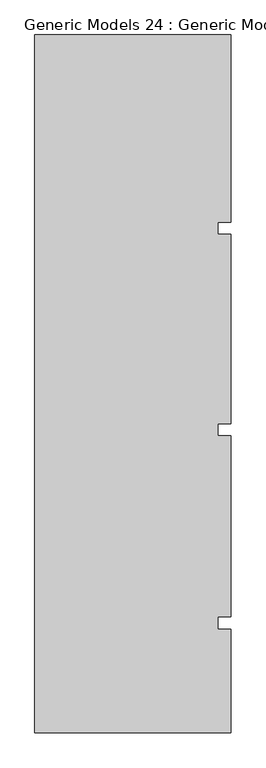
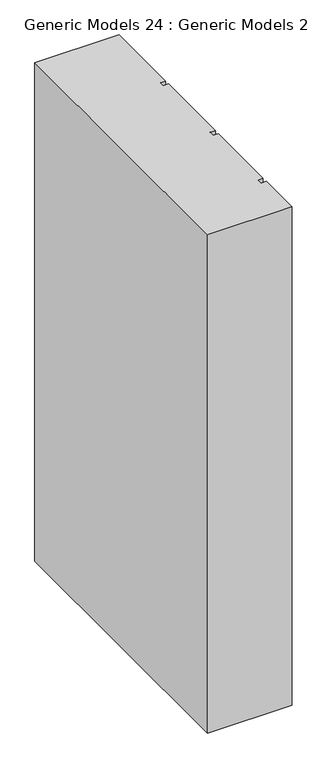
"""IFC4 building model written with IfcOpenShell, lengths in millimetres: proxy geometry, Generic Models 24 : Generic Models 2."""

from ifc_helpers import new_model, si_unit, frame, origin, place, context, project, spatial, polyline, outline, extrude, source, transform, mapped, element, save


def generic_models_24_generic_models_2_cc0dd8a7(model_context):
    return source(origin(), model_context, "Body", "SweptSolid", [
        extrude(outline(polyline([(6158.9891931, -239.4418036), (6646.0314083, -239.4418036), (6646.0314083, -703.851216), (6614.3889077, -703.851216), (6614.3889077, -733.8846489), (6646.0314083, -733.8846489), (6646.0314083, -1203.851216), (6614.3889077, -1203.851216), (6614.3889077, -1233.8846489), (6646.0314083, -1233.8846489), (6646.0314083, -1683.851216), (6614.3889077, -1683.851216), (6614.3889077, -1713.8846489), (6646.0314083, -1713.8846489), (6646.0314083, -1971.439837), (6158.9891931, -1971.439837), (6158.9891931, -239.4418036)])), frame((0.0, 0.0, 9000.0), z_axis=(0.0, 0.0, 1.0), x_axis=(1.0, 0.0, 0.0)), (0.0, 0.0, 1.0), 3044.7067261),
    ])


if __name__ == "__main__":
    model = new_model("IFC4")
    model_context = context("Model", 3, world=origin())
    ifc_project = project(units=[si_unit("LENGTHUNIT", "METRE", prefix="MILLI")], contexts=[model_context])
    site = spatial("IfcSite", under=ifc_project)
    building = spatial("IfcBuilding", under=site)
    placement = place(None, origin())
    generic_models_24_generic_models_2_shape = generic_models_24_generic_models_2_cc0dd8a7(model_context)
    element("IfcBuildingElementProxy", 1, Name="Generic Models 24 : Generic Models 2", ObjectType="Generic Models 24 : Generic Models 2", at=placement, inside=building, context=model_context, shape_type="MappedRepresentation", body=[
        mapped(generic_models_24_generic_models_2_shape, transform((0.0, 0.0, 0.0), x_axis=(1.0, 0.0, 0.0), y_axis=(0.0, 1.0, 0.0), z_axis=(0.0, 0.0, 1.0))),
    ])
    save(model, "model.ifc")
